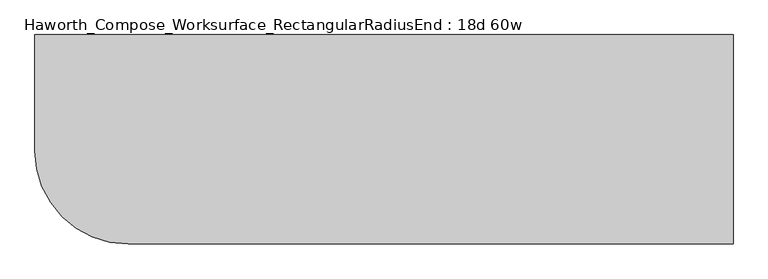
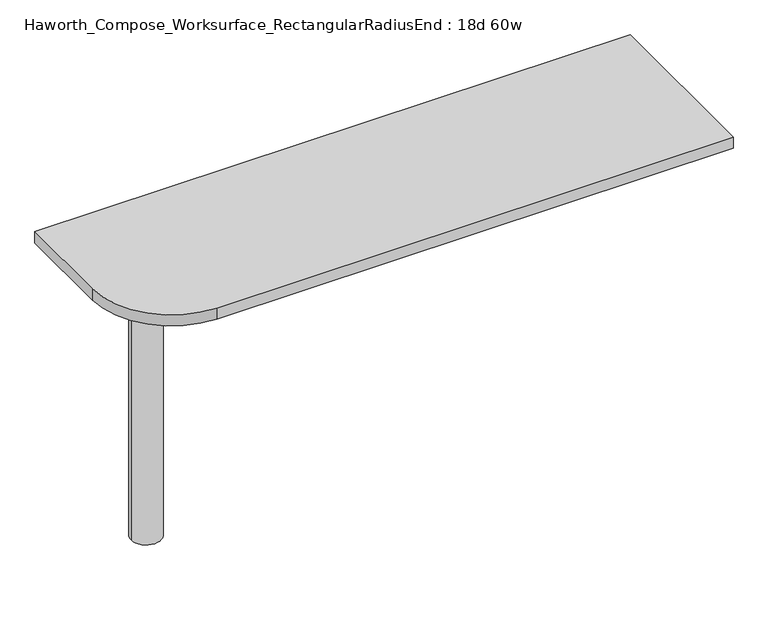
"""IFC4 building model written with IfcOpenShell, lengths in millimetres: furniture geometry, Haworth_Compose_Worksurface_RectangularRadiusEnd : 18d 60w."""

import ifcopenshell
import ifcopenshell.guid

model = None  # the IFC model being written
_history = None  # IfcOwnerHistory: only IFC2X3 demands one
_inside = {}  # id of a spatial element -> (the spatial element, [elements in it])
_under = {}  # id of a project, library or spatial element -> (it, [spatial elements below it])
_declared = {}  # id of a project -> (the project, [libraries it declares])
_typed = {}  # id of a type object -> (the type object, [elements of that type])
_made_of = {}  # id of a material, layer set ... -> (it, [elements and type objects made of it])


def new_model(schema):
    """Start an empty IFC model of exactly this schema.

    Asked for "IFC4X3", IfcOpenShell would pick the latest addendum, in which some entities
    have other attributes; the version numbers below select the first issue.
    IFC2X3 requires an IfcOwnerHistory on every rooted entity: one is made here for all.
    """
    global model, _history
    if schema == "IFC4X3":
        model = ifcopenshell.file(schema_version=(4, 3, 0, 0))
    else:
        model = ifcopenshell.file(schema=schema)
    _inside.clear()
    _under.clear()
    _declared.clear()
    _typed.clear()
    _made_of.clear()
    _history = None
    if model.schema == "IFC2X3":
        org = make("IfcOrganization", Name="unknown")
        user = make(
            "IfcPersonAndOrganization",
            ThePerson=make("IfcPerson", FamilyName="unknown"),
            TheOrganization=org,
        )
        app = make(
            "IfcApplication",
            ApplicationDeveloper=org,
            Version="unknown",
            ApplicationFullName="unknown",
            ApplicationIdentifier="unknown",
        )
        _history = make(
            "IfcOwnerHistory",
            OwningUser=user,
            OwningApplication=app,
            ChangeAction="ADDED",
            CreationDate=0,
        )
    return model


def make(cls, **values):
    """One entity of the class cls with the attributes given. An attribute that is None is left unset."""
    return model.create_entity(
        cls, **{name: value for name, value in values.items() if value is not None}
    )


def rooted(cls, **values):
    """An entity with a GlobalId (a new one), such as an element, a storey or a relation."""
    return make(cls, GlobalId=ifcopenshell.guid.new(), OwnerHistory=_history, **values)


def si_unit(unit_type, name, prefix=None):
    """IfcSIUnit, for example si_unit("LENGTHUNIT", "METRE", prefix="MILLI")."""
    return make("IfcSIUnit", UnitType=unit_type, Prefix=prefix, Name=name)


def assignment(units):
    """IfcUnitAssignment: the units of a project."""
    return None if units is None else make("IfcUnitAssignment", Units=units)


def point(xyz):
    """IfcCartesianPoint."""
    return None if xyz is None else make("IfcCartesianPoint", Coordinates=xyz)


def direction(xyz):
    """IfcDirection."""
    return None if xyz is None else make("IfcDirection", DirectionRatios=xyz)


def frame(location, z_axis=None, x_axis=None):
    """IfcAxis2Placement3D, a coordinate frame: its origin and axes. An axis left out is left unset."""
    return make(
        "IfcAxis2Placement3D",
        Location=point(location),
        Axis=direction(z_axis),
        RefDirection=direction(x_axis),
    )


def frame_2d(location, x_axis=None):
    """IfcAxis2Placement2D, a coordinate frame in the plane: its origin and x axis."""
    return make(
        "IfcAxis2Placement2D", Location=point(location), RefDirection=direction(x_axis)
    )


def origin():
    """The frame at (0, 0, 0) with its axes left unset."""
    return frame((0.0, 0.0, 0.0))


def place(relative_to, where):
    """IfcLocalPlacement: puts the frame where relative to a parent placement (None: the world)."""
    return make(
        "IfcLocalPlacement", PlacementRelTo=relative_to, RelativePlacement=where
    )


def context(
    kind, dimensions, precision=None, world=None, true_north=None, identifier=None
):
    """IfcGeometricRepresentationContext, for example the 3D "Model" context."""
    return make(
        "IfcGeometricRepresentationContext",
        ContextIdentifier=identifier,
        ContextType=kind,
        CoordinateSpaceDimension=dimensions,
        Precision=precision,
        WorldCoordinateSystem=world,
        TrueNorth=true_north,
    )


def project(units=None, contexts=None):
    """IfcProject with its units and contexts."""
    return rooted(
        "IfcProject",
        Name="project",
        RepresentationContexts=contexts,
        UnitsInContext=assignment(units),
    )


def spatial(cls, under=None, at=None, **own):
    """A site, building, storey or space (cls), placed at a placement, below another one or the project."""
    s = rooted(cls, ObjectPlacement=at, **own)
    if under is not None:
        _under.setdefault(under.id(), (under, []))[1].append(s)
    return s


def polyline(points):
    """IfcPolyline through the points."""
    return make("IfcPolyline", Points=[point(p) for p in points])


def circle_curve(where, radius):
    """IfcCircle in the frame where."""
    return make("IfcCircle", Position=where, Radius=radius)


def trimmed(basis, trim1, trim2, sense, master):
    """IfcTrimmedCurve: the piece of a basis curve between two trims."""
    return make(
        "IfcTrimmedCurve",
        BasisCurve=basis,
        Trim1=trim1,
        Trim2=trim2,
        SenseAgreement=sense,
        MasterRepresentation=master,
    )


def segment(curve, same_sense, transition):
    """IfcCompositeCurveSegment."""
    return make(
        "IfcCompositeCurveSegment",
        Transition=transition,
        SameSense=same_sense,
        ParentCurve=curve,
    )


def composite_curve(segments, self_intersect=None):
    """IfcCompositeCurve: segments joined end to end."""
    return make("IfcCompositeCurve", Segments=segments, SelfIntersect=self_intersect)


def outline(outer, holes=None, kind="AREA"):
    """IfcArbitraryClosedProfileDef: a profile drawn as a closed curve; with holes, ...WithVoids."""
    if holes is None:
        return make("IfcArbitraryClosedProfileDef", ProfileType=kind, OuterCurve=outer)
    return make(
        "IfcArbitraryProfileDefWithVoids",
        ProfileType=kind,
        OuterCurve=outer,
        InnerCurves=holes,
    )


def extrude(swept, where, along, depth):
    """IfcExtrudedAreaSolid: the profile swept, set in the frame where, extruded along a direction by depth."""
    return make(
        "IfcExtrudedAreaSolid",
        SweptArea=swept,
        Position=where,
        ExtrudedDirection=direction(along),
        Depth=depth,
    )


def shape(context_of_items, identifier, shape_type, items):
    """IfcShapeRepresentation: the items that make up one representation, for example the "Body"."""
    return make(
        "IfcShapeRepresentation",
        ContextOfItems=context_of_items,
        RepresentationIdentifier=identifier,
        RepresentationType=shape_type,
        Items=items,
    )


def source(mapping_origin, context_of_items, identifier, shape_type, items):
    """IfcRepresentationMap: a shape defined once, which mapped items show again and again."""
    return make(
        "IfcRepresentationMap",
        MappingOrigin=mapping_origin,
        MappedRepresentation=shape(context_of_items, identifier, shape_type, items),
    )


def transform(
    local_origin,
    x_axis=None,
    y_axis=None,
    z_axis=None,
    scale=None,
    scale2=None,
    scale3=None,
    uniform=True,
):
    """IfcCartesianTransformationOperator3D, or its non-uniform kind. x_axis, y_axis, z_axis: its Axis1, 2, 3."""
    if uniform:
        return make(
            "IfcCartesianTransformationOperator3D",
            Axis1=direction(x_axis),
            Axis2=direction(y_axis),
            LocalOrigin=point(local_origin),
            Scale=scale,
            Axis3=direction(z_axis),
        )
    return make(
        "IfcCartesianTransformationOperator3DnonUniform",
        Axis1=direction(x_axis),
        Axis2=direction(y_axis),
        LocalOrigin=point(local_origin),
        Scale=scale,
        Axis3=direction(z_axis),
        Scale2=scale2,
        Scale3=scale3,
    )


def mapped(mapping_source, mapping_target):
    """IfcMappedItem: shows the shape of a source again, moved by a transform."""
    return make(
        "IfcMappedItem", MappingSource=mapping_source, MappingTarget=mapping_target
    )


def made_of(thing, what):
    """Note that an element or type object is made of a material, layer set ...; save() writes the relation."""
    if what is not None:
        _made_of.setdefault(what.id(), (what, []))[1].append(thing)
    return thing


def element(
    cls,
    number,
    at=None,
    inside=None,
    cuts=None,
    type_object=None,
    material=None,
    context=None,
    identifier="Body",
    shape_type=None,
    held_by="IfcProductDefinitionShape",
    body=None,
    shapes=None,
    **own,
):
    """One element of the class cls, such as IfcWall. Its Tag is "e" and its number.

    at: its placement. inside: the storey or other place that contains it. cuts: it is an
    opening in that element (IfcRelVoidsElement). A single representation is given by context,
    identifier, shape_type and body (its items); several are given by shapes. held_by: the class
    of the entity that holds the representations. save() writes the other relations.
    """
    e = rooted(cls, Tag="e%d" % number, ObjectPlacement=at, **own)
    if body is not None:
        shapes = [shape(context, identifier, shape_type, body)]
    if shapes is not None:
        e.Representation = make(held_by, Representations=shapes)
    if inside is not None:
        _inside.setdefault(inside.id(), (inside, []))[1].append(e)
    if cuts is not None:
        rooted(
            "IfcRelVoidsElement", RelatingBuildingElement=cuts, RelatedOpeningElement=e
        )
    if type_object is not None:
        _typed.setdefault(type_object.id(), (type_object, []))[1].append(e)
    return made_of(e, material)


def aggregate(whole, parts):
    """IfcRelAggregates: a whole, such as a stair, and the parts it consists of."""
    return rooted("IfcRelAggregates", RelatingObject=whole, RelatedObjects=parts)


def save(model, path):
    """Write the relations noted so far, then the file.

    IfcRelAggregates (storeys below a building ...), IfcRelContainedInSpatialStructure (elements
    in a storey), IfcRelDefinesByType, IfcRelAssociatesMaterial and IfcRelDeclares: one each for
    every whole, place, type object, material and project.
    """
    for whole, parts in _under.values():
        aggregate(whole, parts)
    for where, things in _inside.values():
        rooted(
            "IfcRelContainedInSpatialStructure",
            RelatedElements=things,
            RelatingStructure=where,
        )
    for kind, things in _typed.values():
        rooted("IfcRelDefinesByType", RelatedObjects=things, RelatingType=kind)
    for what, things in _made_of.values():
        rooted("IfcRelAssociatesMaterial", RelatedObjects=things, RelatingMaterial=what)
    for by, libraries in _declared.values():
        rooted("IfcRelDeclares", RelatingContext=by, RelatedDefinitions=libraries)
    model.write(path)


def plane_surface(at):
    """IfcPlane: the flat surface through the origin of the frame at, square to its z axis."""
    return make("IfcPlane", Position=at)


def cylinder_surface(at, radius):
    """IfcCylindricalSurface: all points at the distance radius from the z axis of the frame at."""
    return make("IfcCylindricalSurface", Position=at, Radius=radius)


def revolved_surface(curve, axis_point, axis_direction):
    """IfcSurfaceOfRevolution: the curve turned about the line through axis_point along axis_direction."""
    return make(
        "IfcSurfaceOfRevolution",
        SweptCurve=make("IfcArbitraryOpenProfileDef", ProfileType="CURVE", Curve=curve),
        AxisPosition=make("IfcAxis1Placement", Location=point(axis_point), Axis=direction(axis_direction)),
    )


def advanced_brep(points, edges, surfaces, faces):
    """IfcAdvancedBrep: a solid bounded by faces that lie on surfaces and meet in shared edges.

    An edge is (start, end): straight between two places in points (the first is 0);
    or (start, end, curve); or (start, end, curve, False) where it runs against its curve.
    A face is (place in surfaces, loops), or (place, loops, False) where it looks against
    its surface's normal. A loop lists edges by number (the first is 1), with a minus sign
    where the edge is run from its end to its start. The first loop is the outer one.
    """
    corners = [point(p) for p in points]
    vertices = [make("IfcVertexPoint", VertexGeometry=c) for c in corners]
    made = []
    for start, end, *more in edges:
        made.append(
            make(
                "IfcEdgeCurve",
                EdgeStart=vertices[start],
                EdgeEnd=vertices[end],
                EdgeGeometry=more[0] if more else make("IfcPolyline", Points=[corners[start], corners[end]]),
                SameSense=more[1] if len(more) > 1 else True,
            )
        )
    hull = []
    for where, loops, *sense in faces:
        bounds = []
        for j, loop in enumerate(loops):
            ring = [make("IfcOrientedEdge", EdgeElement=made[abs(k) - 1], Orientation=k > 0) for k in loop]
            bounds.append(
                make(
                    "IfcFaceOuterBound" if j == 0 else "IfcFaceBound",
                    Bound=make("IfcEdgeLoop", EdgeList=ring),
                    Orientation=True,
                )
            )
        hull.append(make("IfcAdvancedFace", Bounds=bounds, FaceSurface=surfaces[where], SameSense=sense[0] if sense else True))
    return make("IfcAdvancedBrep", Outer=make("IfcClosedShell", CfsFaces=hull))


def haworth_compose_worksurface_rectangularradiusend_18d_60w_c82f55bd(model_context):
    return source(origin(), model_context, "Body", "SolidModel", [
        advanced_brep(
        [(756.44375, 228.6, 475.45625), (756.44375, 212.725, 475.45625), (756.44375, -177.8, 691.7192568), (756.44375, -177.8, 704.05625), (756.44375, 212.725, 704.05625), (756.44375, 228.6, 704.05625), (756.44375, 145.290072, 665.95625), (756.44375, 101.6355284, 665.95625), (756.44375, 98.9564235, 656.3705539), (756.44375, 190.6776173, 605.5776439), (756.44375, 200.025, 611.1756969), (756.44375, 200.025, 634.6860246), (756.44375, 198.2730055, 637.5242776), (756.44375, 148.3663437, 665.1613425), (758.825, 228.6, 475.45625), (758.825, 228.6, 704.05625), (758.825, 212.725, 704.05625), (758.825, 212.725, 706.4375), (758.825, -177.8, 706.4375), (758.825, -177.8, 691.7192568), (758.825, 212.725, 475.45625), (758.825, 145.290072, 665.95625), (758.825, 148.3663437, 665.1613425), (758.825, 198.2730055, 637.5242776), (758.825, 200.025, 634.6860246), (758.825, 200.025, 611.1756969), (758.825, 190.6776173, 605.5776439), (758.825, 98.9564235, 656.3705539), (758.825, 101.6355284, 665.95625), (717.55, -177.8, 706.4375), (717.55, -177.8, 704.05625), (717.55, 212.725, 704.05625), (717.55, 212.725, 706.4375)],
        [
            (0, 1),
            (1, 2),
            (2, 3),
            (3, 4),
            (4, 5),
            (5, 0),
            (6, 7),
            (7, 8, circle_curve(frame((756.44375, 101.6355284, 660.7890106), z_axis=(1.0, 0.0, 0.0), x_axis=(0.0, -1.0, 0.0)), 5.1672394)),
            (8, 9),
            (9, 10, circle_curve(frame((756.44375, 193.675, 611.1756969), z_axis=(1.0, 0.0, 0.0), x_axis=(0.0, -1.0, 0.0)), 6.35)),
            (10, 11),
            (11, 12, circle_curve(frame((756.44375, 196.85, 634.6860246), z_axis=(1.0, 0.0, 0.0), x_axis=(0.0, -1.0, 0.0)), 3.175)),
            (12, 13),
            (13, 6, circle_curve(frame((756.44375, 145.290072, 659.60625), z_axis=(1.0, 0.0, 0.0), x_axis=(0.0, -1.0, 0.0)), 6.35)),
            (14, 15),
            (15, 16),
            (16, 17),
            (17, 18),
            (18, 19),
            (19, 20),
            (20, 14),
            (21, 22, circle_curve(frame((758.825, 145.290072, 659.60625), z_axis=(-1.0, 0.0, 0.0), x_axis=(0.0, -1.0, 0.0)), 6.35)),
            (22, 23),
            (23, 24, circle_curve(frame((758.825, 196.85, 634.6860246), z_axis=(-1.0, 0.0, 0.0), x_axis=(0.0, -1.0, 0.0)), 3.175)),
            (24, 25),
            (25, 26, circle_curve(frame((758.825, 193.675, 611.1756969), z_axis=(-1.0, 0.0, 0.0), x_axis=(0.0, -1.0, 0.0)), 6.35)),
            (26, 27),
            (27, 28, circle_curve(frame((758.825, 101.6355284, 660.7890106), z_axis=(-1.0, 0.0, 0.0), x_axis=(0.0, -1.0, 0.0)), 5.1672394)),
            (28, 21),
            (4, 16),
            (15, 5),
            (14, 0),
            (20, 1),
            (19, 2),
            (18, 29),
            (29, 30),
            (30, 3),
            (6, 21),
            (28, 7),
            (9, 26),
            (25, 10),
            (24, 11),
            (23, 12),
            (27, 8),
            (31, 4),
            (30, 31),
            (32, 29),
            (17, 32),
            (31, 32),
            (22, 13),
        ],
        [
            plane_surface(frame((756.44375, 228.6, 475.45625), z_axis=(-1.0, 0.0, 0.0), x_axis=(0.0, 1.0, 0.0))),
            plane_surface(frame((758.825, 228.6, 475.45625), z_axis=(1.0, 0.0, 0.0), x_axis=(0.0, -1.0, 0.0))),
            plane_surface(frame((758.825, -177.8, 704.05625), z_axis=(0.0, 0.0, 1.0), x_axis=(-1.0, 0.0, 0.0))),
            plane_surface(frame((758.825, 228.6, 704.05625), z_axis=(0.0, 1.0, 0.0), x_axis=(-1.0, 0.0, 0.0))),
            plane_surface(frame((758.825, 228.6, 475.45625), z_axis=(0.0, 0.0, -1.0), x_axis=(-1.0, 0.0, 0.0))),
            plane_surface(frame((758.825, 212.725, 475.45625), z_axis=(0.0, -0.48445223513455843, -0.8748177135112952), x_axis=(-1.0, 0.0, 0.0))),
            plane_surface(frame((758.825, -177.8, 691.7192568), z_axis=(0.0, -1.0, 0.0), x_axis=(-1.0, 0.0, 0.0))),
            plane_surface(frame((758.825, 145.290072, 665.95625), z_axis=(0.0, 0.0, -1.0), x_axis=(-1.0, 0.0, 0.0))),
            revolved_surface(polyline([(756.44375, 187.32500000000002, 611.1756969), (758.825, 187.32500000000002, 611.1756969)]), (758.825, 193.675, 611.1756969), (-1.0, 0.0, 0.0)),
            plane_surface(frame((758.825, 200.025, 611.1756969), z_axis=(0.0, -1.0, 0.0), x_axis=(-1.0, 0.0, 0.0))),
            revolved_surface(polyline([(756.44375, 193.67499999999998, 634.6860246), (758.825, 193.67499999999998, 634.6860246)]), (758.825, 196.85, 634.6860246), (-1.0, 0.0, 0.0)),
            revolved_surface(polyline([(756.44375, 96.468289, 660.7890106), (758.825, 96.468289, 660.7890106)]), (758.825, 101.6355284, 660.7890106), (-1.0, 0.0, 0.0)),
            plane_surface(frame((758.825, 212.725, 704.05625), z_axis=(0.0, 0.0, -1.0), x_axis=(-1.0, 0.0, 0.0))),
            plane_surface(frame((758.825, 212.725, 706.4375), z_axis=(0.0, 0.0, 1.0), x_axis=(1.0, 0.0, 0.0))),
            plane_surface(frame((717.55, 212.725, 706.4375), z_axis=(0.0, 1.0, 0.0), x_axis=(0.0, 0.0, -1.0))),
            plane_surface(frame((717.55, -177.8, 706.4375), z_axis=(-1.0, 0.0, 0.0), x_axis=(0.0, 0.0, -1.0))),
            plane_surface(frame((758.825, 98.9564235, 656.3705539), z_axis=(0.0, 0.4844522351345583, 0.8748177135112953), x_axis=(-1.0, 0.0, 0.0))),
            plane_surface(frame((758.825, 198.2730055, 637.5242776), z_axis=(0.0, -0.4844522351345582, -0.8748177135112953), x_axis=(-1.0, 0.0, 0.0))),
            revolved_surface(polyline([(756.44375, 138.94007200000001, 659.60625), (758.825, 138.94007200000001, 659.60625)]), (758.825, 145.290072, 659.60625), (-1.0, 0.0, 0.0)),
        ],
        [
            (0, [[1, 2, 3, 4, 5, 6], [7, 8, 9, 10, 11, 12, 13, 14]]),
            (1, [[15, 16, 17, 18, 19, 20, 21], [22, 23, 24, 25, 26, 27, 28, 29]]),
            (2, [[-5, 30, -16, 31]]),
            (3, [[-31, -15, 32, -6]]),
            (4, [[-32, -21, 33, -1]]),
            (5, [[-33, -20, 34, -2]]),
            (6, [[-34, -19, 35, 36, 37, -3]]),
            (7, [[38, -29, 39, -7]]),
            (8, [[40, -26, 41, -10]]),
            (9, [[-41, -25, 42, -11]]),
            (10, [[-42, -24, 43, -12]]),
            (11, [[-39, -28, 44, -8]]),
            (12, [[45, -4, -37, 46]]),
            (13, [[47, -35, -18, 48]]),
            (14, [[-17, -30, -45, 49, -48]]),
            (15, [[-36, -47, -49, -46]]),
            (16, [[-44, -27, -40, -9]]),
            (17, [[-43, -23, 50, -13]]),
            (18, [[-50, -22, -38, -14]]),
        ],
    ),
        advanced_brep(
        [(-571.5, 0.0, 706.4375), (-647.7, 0.0, 706.4375), (-609.6, 0.0, 706.4375), (-571.5, 0.0, 0.0), (-647.7, 0.0, 0.0), (-609.6, 0.0, 0.0)],
        [
            (0, 1, circle_curve(frame((-609.6, 0.0, 706.4375), z_axis=(0.0, 0.0, 1.0), x_axis=(-1.0, 0.0, 0.0)), 38.1)),
            (1, 2),
            (2, 0),
            (1, 0, circle_curve(frame((-609.6, 0.0, 706.4375), z_axis=(0.0, 0.0, 1.0), x_axis=(-1.0, 0.0, 0.0)), 38.1)),
            (3, 4, circle_curve(frame((-609.6, 0.0, 0.0), z_axis=(0.0, 0.0, 1.0), x_axis=(-1.0, 0.0, 0.0)), 38.1)),
            (4, 1),
            (0, 3),
            (4, 3, circle_curve(frame((-609.6, 0.0, 0.0), z_axis=(0.0, 0.0, 1.0), x_axis=(-1.0, 0.0, 0.0)), 38.1)),
            (5, 4),
            (3, 5),
        ],
        [
            plane_surface(frame((-609.6, 0.0, 706.4375), z_axis=(0.0, 0.0, 1.0), x_axis=(-1.0, 0.0, 0.0))),
            cylinder_surface(frame((-609.6, 0.0, 889.623257), z_axis=(0.0, 0.0, -1.0), x_axis=(-1.0, 0.0, 0.0)), 38.1),
            plane_surface(frame((-609.6, 0.0, 0.0), z_axis=(0.0, 0.0, -1.0), x_axis=(-1.0, 0.0, 0.0))),
        ],
        [
            (0, [[1, 2, 3]]),
            (0, [[4, -3, -2]]),
            (1, [[5, 6, -1, 7]]),
            (1, [[8, -7, -4, -6]]),
            (2, [[9, -5, 10]]),
            (2, [[-10, -8, -9]]),
        ],
    ),
        extrude(outline(composite_curve([segment(polyline([(762.0, 228.6), (762.0, -228.6), (-558.8, -228.6)]), True, "CONTINUOUS"), segment(trimmed(circle_curve(frame_2d((-558.8, -25.4)), 203.2), [point((-558.8, -228.6))], [point((-762.0, -25.4))], False, "CARTESIAN"), True, "CONTINUOUS"), segment(polyline([(-762.0, -25.4), (-762.0, 228.6), (762.0, 228.6)]), True, "CONTINUOUS")], self_intersect=False)), frame((0.0, 0.0, 706.4375), z_axis=(0.0, 0.0, 1.0), x_axis=(1.0, 0.0, 0.0)), (0.0, 0.0, 1.0), 30.1625),
    ])


if __name__ == "__main__":
    model = new_model("IFC4")
    model_context = context("Model", 3, world=origin())
    ifc_project = project(units=[si_unit("LENGTHUNIT", "METRE", prefix="MILLI")], contexts=[model_context])
    site = spatial("IfcSite", under=ifc_project)
    building = spatial("IfcBuilding", under=site)
    placement = place(None, origin())
    haworth_compose_worksurface_rectangularradiusend_18d_60w_shape = haworth_compose_worksurface_rectangularradiusend_18d_60w_c82f55bd(model_context)
    element("IfcFurniture", 1, ObjectType="Haworth_Compose_Worksurface_RectangularRadiusEnd : 18d 60w", at=placement, inside=building, context=model_context, shape_type="MappedRepresentation", body=[
        mapped(haworth_compose_worksurface_rectangularradiusend_18d_60w_shape, transform((0.0, 0.0, 0.0), x_axis=(1.0, 0.0, 0.0), y_axis=(0.0, 1.0, 0.0), z_axis=(0.0, 0.0, 1.0))),
    ])
    save(model, "model.ifc")
